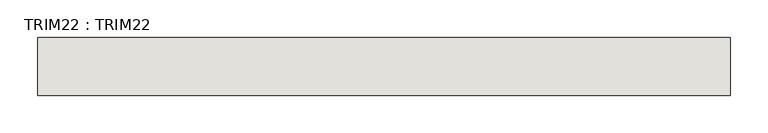
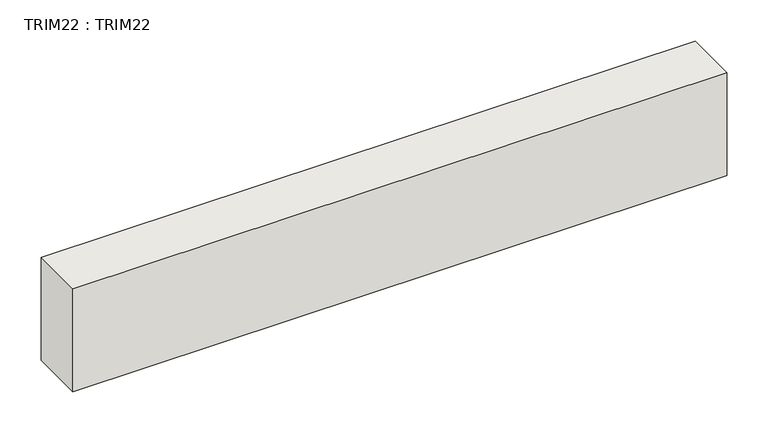
"""IFC4 building model written with IfcOpenShell, lengths in millimetres: wall geometry, TRIM22 : TRIM22."""

from ifc_helpers import new_model, si_unit, frame, origin, place, context, project, spatial, polyline, outline, extrude, source, transform, mapped, element, save


def trim22_trim22_e101b6c5(model_context):
    return source(origin(), model_context, "Body", "SweptSolid", [
        extrude(outline(polyline([(-15611.8716415, 5865.6982965), (-16526.2716415, 5865.6982965), (-16526.2716415, 5941.8982965), (-15611.8716415, 5941.8982965), (-15611.8716415, 5865.6982965)])), frame((0.0, 0.0, 7924.8), z_axis=(0.0, 0.0, 1.0), x_axis=(1.0, 0.0, 0.0)), (0.0, 0.0, 1.0), 152.4),
    ])


if __name__ == "__main__":
    model = new_model("IFC4")
    model_context = context("Model", 3, world=origin())
    ifc_project = project(units=[si_unit("LENGTHUNIT", "METRE", prefix="MILLI")], contexts=[model_context])
    site = spatial("IfcSite", under=ifc_project)
    building = spatial("IfcBuilding", under=site)
    placement = place(None, origin())
    trim22_trim22_shape = trim22_trim22_e101b6c5(model_context)
    element("IfcWall", 1, ObjectType="TRIM22 : TRIM22", at=placement, inside=building, context=model_context, shape_type="MappedRepresentation", body=[
        mapped(trim22_trim22_shape, transform((0.0, 0.0, 0.0), x_axis=(1.0, 0.0, 0.0), y_axis=(0.0, 1.0, 0.0), z_axis=(0.0, 0.0, 1.0))),
    ])
    save(model, "model.ifc")
